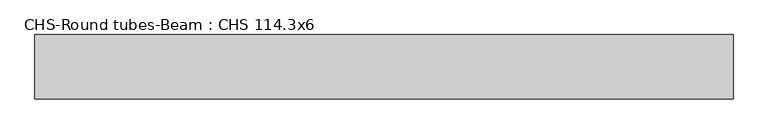
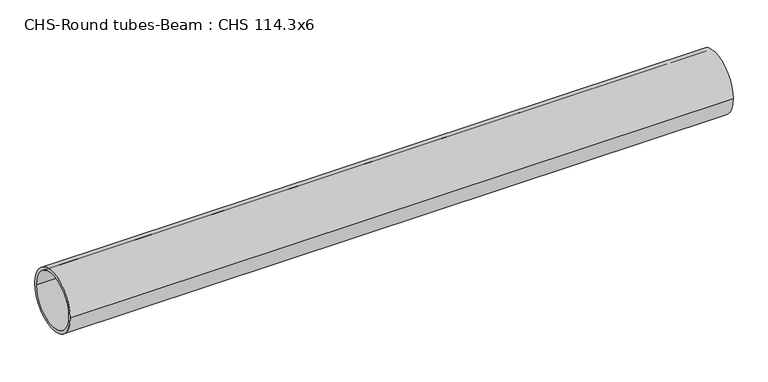
"""IFC4 building model written with IfcOpenShell, lengths in millimetres: beam geometry, CHS-Round tubes-Beam : CHS 114.3x6."""

from ifc_helpers import new_model, si_unit, point, frame, origin, origin_2d, place, context, project, spatial, circle_curve, trimmed, segment, composite_curve, outline, extrude, source, transform, mapped, element, save


def chs_round_tubes_beam_chs_114_3x6_6d289d9d(model_context):
    return source(origin(), model_context, "Body", "SweptSolid", [
        extrude(outline(composite_curve([segment(trimmed(circle_curve(origin_2d(), 57.15), [point((57.15, 0.0))], [point((-57.15, 0.0))], False, "CARTESIAN"), True, "CONTINUOUS"), segment(trimmed(circle_curve(origin_2d(), 57.15), [point((-57.15, 0.0))], [point((57.15, 0.0))], False, "CARTESIAN"), True, "CONTINUOUS")], self_intersect=False), holes=[composite_curve([segment(trimmed(circle_curve(origin_2d(), 51.15), [point((51.15, 0.0))], [point((-51.15, 0.0))], True, "CARTESIAN"), True, "CONTINUOUS"), segment(trimmed(circle_curve(origin_2d(), 51.15), [point((-51.15, 0.0))], [point((51.15, 0.0))], True, "CARTESIAN"), True, "CONTINUOUS")], self_intersect=False)]), frame((-614.1275416, 0.0, 0.0), z_axis=(1.0, 0.0, 0.0), x_axis=(0.0, 1.0, 0.0)), (0.0, 0.0, 1.0), 1238.7591909),
    ])


if __name__ == "__main__":
    model = new_model("IFC4")
    model_context = context("Model", 3, world=origin())
    ifc_project = project(units=[si_unit("LENGTHUNIT", "METRE", prefix="MILLI")], contexts=[model_context])
    site = spatial("IfcSite", under=ifc_project)
    building = spatial("IfcBuilding", under=site)
    placement = place(None, origin())
    chs_round_tubes_beam_chs_114_3x6_shape = chs_round_tubes_beam_chs_114_3x6_6d289d9d(model_context)
    element("IfcBeam", 1, ObjectType="CHS-Round tubes-Beam : CHS 114.3x6", at=placement, inside=building, context=model_context, shape_type="MappedRepresentation", body=[
        mapped(chs_round_tubes_beam_chs_114_3x6_shape, transform((0.0, 0.0, 0.0), x_axis=(1.0, 0.0, 0.0), y_axis=(0.0, 1.0, 0.0), z_axis=(0.0, 0.0, 1.0))),
    ])
    save(model, "model.ifc")
